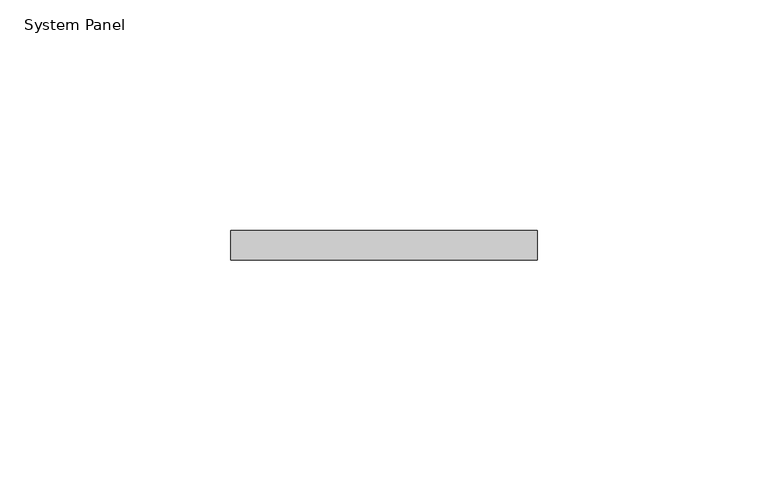
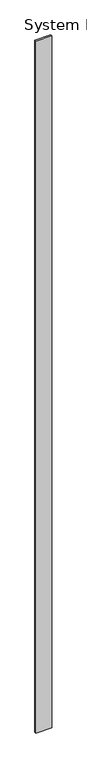
"""IFC4 building model written with IfcOpenShell, lengths in millimetres: plate geometry, System Panel."""

from ifc_helpers import new_model, si_unit, origin, origin_with_axes, place, context, project, spatial, polyline, outline, extrude, source, transform, mapped, element, save


def system_panel_a501fd75(model_context):
    return source(origin(), model_context, "Body", "SweptSolid", [
        extrude(outline(polyline([(33.1722181, 0.0), (-33.1722181, 0.0), (-33.1722181, 6.35), (33.1722181, 6.35), (33.1722181, 0.0)])), origin_with_axes(), (0.0, 0.0, 1.0), 3048.0),
    ])


if __name__ == "__main__":
    model = new_model("IFC4")
    model_context = context("Model", 3, world=origin())
    ifc_project = project(units=[si_unit("LENGTHUNIT", "METRE", prefix="MILLI")], contexts=[model_context])
    site = spatial("IfcSite", under=ifc_project)
    building = spatial("IfcBuilding", under=site)
    placement = place(None, origin())
    system_panel_shape = system_panel_a501fd75(model_context)
    element("IfcPlate", 1, ObjectType="System Panel", at=placement, inside=building, context=model_context, shape_type="MappedRepresentation", body=[
        mapped(system_panel_shape, transform((0.0, 0.0, 0.0), x_axis=(1.0, 0.0, 0.0), y_axis=(0.0, 1.0, 0.0), z_axis=(0.0, 0.0, 1.0))),
    ])
    save(model, "model.ifc")
